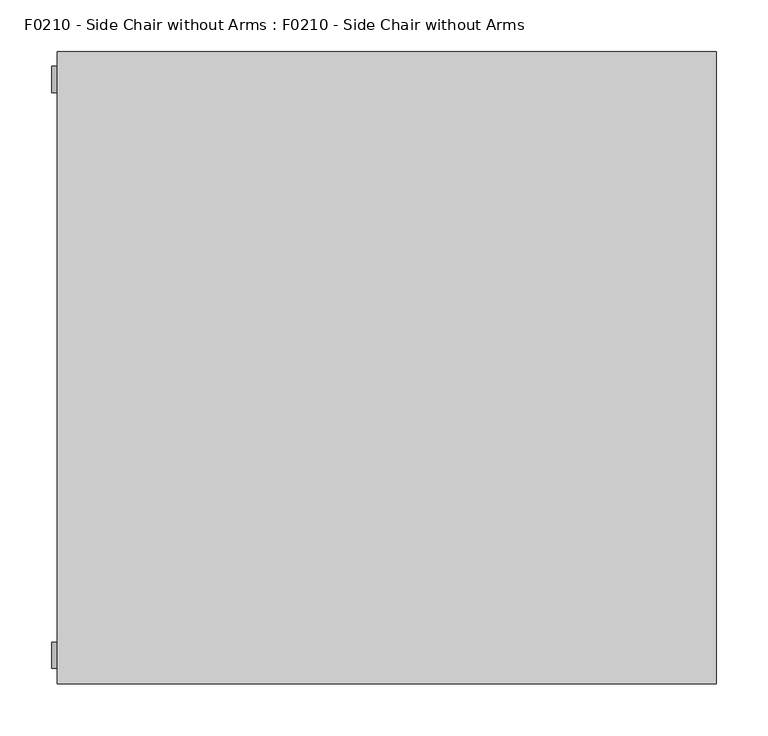
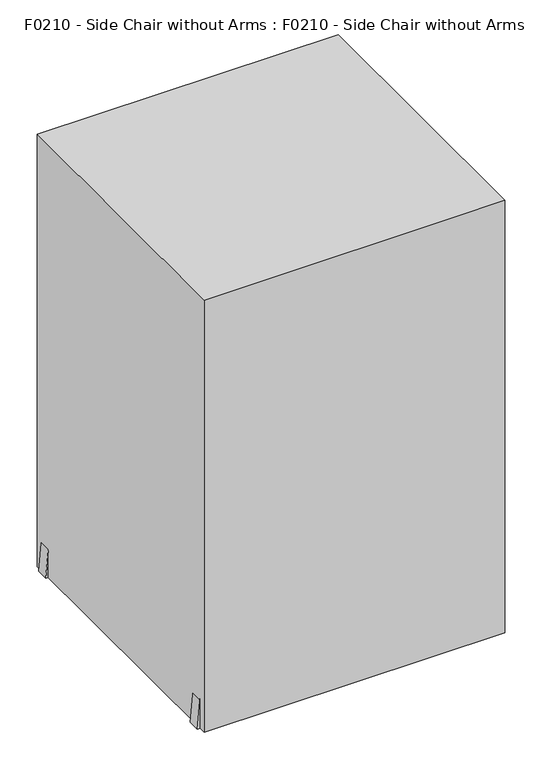
"""IFC4 building model written with IfcOpenShell, lengths in millimetres: proxy geometry, F0210 - Side Chair without Arms : F0210 - Side Chair without Arms."""

from ifc_helpers import new_model, si_unit, frame, origin, origin_with_axes, place, context, project, spatial, polyline, outline, extrude, source, transform, mapped, element, save


def f0210_side_chair_without_arms_f0210_side_chair_without_arms_20ce1bdb(model_context):
    return source(origin(), model_context, "Body", "SweptSolid", [
        extrude(outline(polyline([(505.0203406, 172.091969), (505.0203406, 146.691969), (0.5702145, 190.8256364), (0.5702145, 215.7010953), (505.0203406, 172.091969)])), frame((0.0, -289.7929274, 0.0), z_axis=(0.0, 1.0, 0.0), x_axis=(0.0, 0.0, 1.0)), (0.0, 0.0, 1.0), 25.4),
        extrude(outline(polyline([(642.1831371, -266.7616436), (0.0, -322.770228), (0.0, -294.9574611), (643.2059912, -249.9801167), (940.2581485, -278.8317785), (940.2581485, -295.7126518), (642.1831371, -266.7616436)])), frame((0.0, -289.7929274, 0.0), z_axis=(0.0, 1.0, 0.0), x_axis=(0.0, 0.0, 1.0)), (0.0, 0.0, 1.0), 25.4),
        extrude(outline(polyline([(505.0203406, 172.091969), (505.0203406, 146.691969), (0.5702145, 190.8256364), (0.5702145, 215.7010953), (505.0203406, 172.091969)])), frame((0.0, 265.4917348, 0.0), z_axis=(0.0, 1.0, 0.0), x_axis=(0.0, 0.0, 1.0)), (0.0, 0.0, 1.0), 25.4),
        extrude(outline(polyline([(642.1831371, -266.7616436), (0.0, -322.770228), (0.0, -294.9574611), (643.2059912, -249.9801167), (940.2581485, -278.8317785), (940.2581485, -295.7126518), (642.1831371, -266.7616436)])), frame((0.0, 265.4917348, 0.0), z_axis=(0.0, 1.0, 0.0), x_axis=(0.0, 0.0, 1.0)), (0.0, 0.0, 1.0), 25.4),
        extrude(outline(polyline([(949.5558695, -288.1891828), (949.0276678, -295.7428189), (920.9464532, -302.0388283), (890.9596762, -302.364601), (766.4444592, -291.4709311), (712.0444312, -282.2922915), (699.4048634, -275.0755148), (701.6800869, -249.0695909), (734.5347731, -247.5019251), (744.2301544, -248.5209507), (775.1826091, -252.8120869), (831.1136295, -257.7054171), (872.5802588, -261.3332771), (887.0899422, -262.6027099), (935.3234911, -264.152458), (946.525946, -265.1325458), (949.5558695, -288.1891828)])), frame((0.0, -268.3553067, 0.0), z_axis=(0.0, 1.0, 0.0), x_axis=(0.0, 0.0, 1.0)), (0.0, 0.0, 1.0), 536.2041409),
        extrude(outline(polyline([(256.4009052, 523.5214117), (267.8488342, 472.7447876), (247.7015659, 466.8926254), (-0.2531025, 454.1861401), (-248.2006555, 466.9655344), (-268.3553067, 472.7447876), (-256.8914817, 523.5286444), (-242.1729901, 524.0426254), (-0.2532363, 511.5153378), (241.6696752, 524.0358376), (256.4009052, 523.5214117)])), frame((-276.0175852, 0.0, 0.0), z_axis=(1.0, 0.0, 0.0), x_axis=(0.0, 1.0, 0.0)), (0.0, 0.0, 1.0), 448.6997704),
        extrude(outline(polyline([(504.8449262, 147.1860068), (504.8449262, -258.5366203), (479.5415809, -260.4830005), (479.5415809, 149.3997627), (504.8449262, 147.1860068)])), frame((0.0, 265.4917348, 0.0), z_axis=(0.0, 1.0, 0.0), x_axis=(0.0, 0.0, 1.0)), (0.0, 0.0, 1.0), 25.4),
        extrude(outline(polyline([(504.8449262, 147.1860068), (504.8449262, -258.5366203), (479.5415809, -260.4830005), (479.5415809, 149.3997627), (504.8449262, 147.1860068)])), frame((0.0, -289.7929274, 0.0), z_axis=(0.0, 1.0, 0.0), x_axis=(0.0, 0.0, 1.0)), (0.0, 0.0, 1.0), 25.4),
        extrude(outline(polyline([(317.5, -304.8), (-317.5, -304.8), (-317.5, 304.8), (317.5, 304.8), (317.5, -304.8)])), origin_with_axes(), (0.0, 0.0, 1.0), 965.2),
    ])


if __name__ == "__main__":
    model = new_model("IFC4")
    model_context = context("Model", 3, world=origin())
    ifc_project = project(units=[si_unit("LENGTHUNIT", "METRE", prefix="MILLI")], contexts=[model_context])
    site = spatial("IfcSite", under=ifc_project)
    building = spatial("IfcBuilding", under=site)
    placement = place(None, origin())
    f0210_side_chair_without_arms_f0210_side_chair_without_arms_shape = f0210_side_chair_without_arms_f0210_side_chair_without_arms_20ce1bdb(model_context)
    element("IfcBuildingElementProxy", 1, Name="F0210 - Side Chair without Arms : F0210 - Side Chair without Arms", ObjectType="F0210 - Side Chair without Arms : F0210 - Side Chair without Arms", at=placement, inside=building, context=model_context, shape_type="MappedRepresentation", body=[
        mapped(f0210_side_chair_without_arms_f0210_side_chair_without_arms_shape, transform((0.0, 0.0, 0.0), x_axis=(1.0, 0.0, 0.0), y_axis=(0.0, 1.0, 0.0), z_axis=(0.0, 0.0, 1.0))),
    ])
    save(model, "model.ifc")
